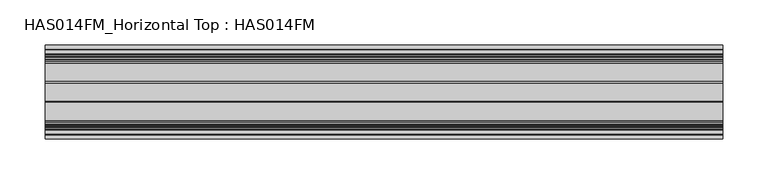
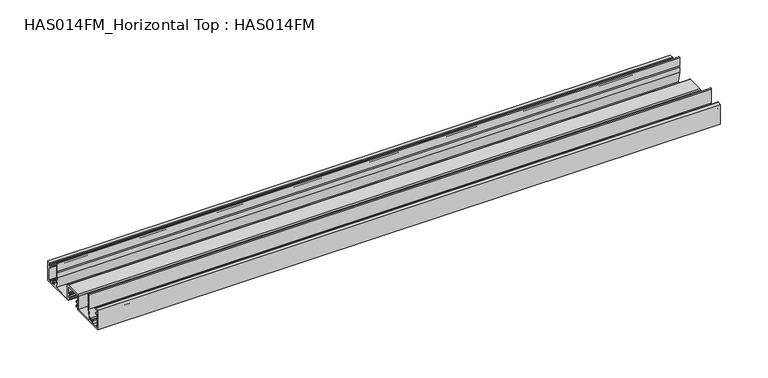
"""IFC4 building model written with IfcOpenShell, lengths in millimetres: beam geometry, HAS014FM_Horizontal Top : HAS014FM."""

from ifc_helpers import new_model, si_unit, point, frame, frame_2d, origin, place, context, project, spatial, polyline, circle_curve, trimmed, segment, composite_curve, outline, extrude, source, transform, mapped, element, save


def has014fm_horizontal_top_has014fm_6988a57c(model_context):
    return source(origin(), model_context, "Body", "SweptSolid", [
        extrude(outline(composite_curve([segment(polyline([(-9.7397316, -31.7708648), (-9.7397316, -34.1298825), (-51.998773, -34.1298825), (-51.998773, -9.0339496), (-47.6822725, -9.0339496)]), True, "CONTINUOUS"), segment(trimmed(circle_curve(frame_2d((-47.6822725, -9.7366357)), 0.7026861), [point((-47.6822725, -9.0339496))], [point((-47.6822725, -10.4393218))], False, "CARTESIAN"), True, "CONTINUOUS"), segment(polyline([(-47.6822725, -10.4393218), (-50.6435926, -10.4393218), (-50.6435926, -13.7017931), (-48.9370692, -13.7017931)]), True, "CONTINUOUS"), segment(trimmed(circle_curve(frame_2d((-48.9370692, -14.504863)), 0.8030699), [point((-48.9370692, -13.7017931))], [point((-48.1339993, -14.504863))], False, "CARTESIAN"), True, "CONTINUOUS"), segment(polyline([(-48.1339993, -14.504863), (-48.1339993, -15.7094677)]), True, "CONTINUOUS"), segment(trimmed(circle_curve(frame_2d((-48.635918, -15.7094677)), 0.5019187), [point((-48.1339993, -15.7094677))], [point((-49.1378366, -15.7094677))], False, "CARTESIAN"), True, "CONTINUOUS"), segment(polyline([(-49.1378366, -15.7094677), (-49.1378366, -14.7056304), (-50.6435926, -14.7056304), (-50.6435926, -32.7747021), (-49.1378366, -32.7747021), (-49.1378366, -31.7708648)]), True, "CONTINUOUS"), segment(trimmed(circle_curve(frame_2d((-48.635918, -31.7708648)), 0.5019187), [point((-49.1378366, -31.7708648))], [point((-48.1339993, -31.7708648))], False, "CARTESIAN"), True, "CONTINUOUS"), segment(polyline([(-48.1339993, -31.7708648), (-48.1339993, -32.7747021), (-41.4082317, -32.7747021)]), True, "CONTINUOUS"), segment(trimmed(circle_curve(frame_2d((-38.9488879, -30.8679975)), 3.1118957), [point((-41.4082317, -32.7747021))], [point((-41.283567, -28.810531))], False, "CARTESIAN"), True, "CONTINUOUS"), segment(trimmed(circle_curve(frame_2d((-40.7187253, -29.3083052)), 0.752878), [point((-41.283567, -28.810531))], [point((-40.1538836, -29.8060793))], False, "CARTESIAN"), True, "CONTINUOUS"), segment(trimmed(circle_curve(frame_2d((-38.9488879, -30.8679975)), 1.6061397), [point((-40.1538836, -29.8060793))], [point((-39.0041772, -32.4731853))], True, "CARTESIAN"), True, "CONTINUOUS"), segment(trimmed(circle_curve(frame_2d((-38.9488879, -30.8679975)), 1.6061397), [point((-39.0041772, -32.4731853))], [point((-37.7438922, -29.8060793))], True, "CARTESIAN"), True, "CONTINUOUS"), segment(trimmed(circle_curve(frame_2d((-37.1790505, -29.3083052)), 0.752878), [point((-37.7438922, -29.8060793))], [point((-36.6142088, -28.810531))], False, "CARTESIAN"), True, "CONTINUOUS"), segment(polyline([(-36.6142088, -28.810531), (-35.692704, -29.7320358), (-33.4779745, -18.9347678), (-33.4779745, -0.6775902)]), True, "CONTINUOUS"), segment(trimmed(circle_curve(frame_2d((-32.8003843, -0.6775902)), 0.6775902), [point((-33.4779745, -0.6775902))], [point((-32.1227941, -0.6775902))], False, "CARTESIAN"), True, "CONTINUOUS"), segment(polyline([(-32.1227941, -0.6775902), (-32.1227941, -10.5402918), (-32.925864, -10.5402918), (-32.1227941, -12.4331683), (-32.1227941, -19.0723228), (-34.9335386, -32.7752884), (-11.2956794, -32.7752884), (-11.2956794, -15.7596596)]), True, "CONTINUOUS"), segment(trimmed(circle_curve(frame_2d((-10.0910746, -15.7596596)), 1.2046048), [point((-11.2956794, -15.7596596))], [point((-10.0910746, -14.5550548))], False, "CARTESIAN"), True, "CONTINUOUS"), segment(polyline([(-10.0910746, -14.5550548), (10.0910746, -14.5550548)]), True, "CONTINUOUS"), segment(trimmed(circle_curve(frame_2d((10.0910746, -15.7596596)), 1.2046048), [point((10.0910746, -14.5550548))], [point((11.2956794, -15.7596596))], False, "CARTESIAN"), True, "CONTINUOUS"), segment(polyline([(11.2956794, -15.7596596), (11.2956794, -32.7752884), (34.9335386, -32.7752884), (32.1227941, -19.0723228), (32.1227941, -12.4331683), (32.925864, -10.5402918), (32.1227941, -10.5402918), (32.1227941, -0.6775902)]), True, "CONTINUOUS"), segment(trimmed(circle_curve(frame_2d((32.8003843, -0.6775902)), 0.6775902), [point((32.1227941, -0.6775902))], [point((33.4779745, -0.6775902))], False, "CARTESIAN"), True, "CONTINUOUS"), segment(polyline([(33.4779745, -0.6775902), (33.4779745, -18.9347678), (35.692704, -29.7320358), (36.6142088, -28.810531)]), True, "CONTINUOUS"), segment(trimmed(circle_curve(frame_2d((37.1790505, -29.3083052)), 0.752878), [point((36.6142088, -28.810531))], [point((37.7438922, -29.8060793))], False, "CARTESIAN"), True, "CONTINUOUS"), segment(trimmed(circle_curve(frame_2d((38.9488879, -30.8679975)), 1.6061397), [point((37.7438922, -29.8060793))], [point((38.9120232, -32.4737141))], True, "CARTESIAN"), True, "CONTINUOUS"), segment(trimmed(circle_curve(frame_2d((38.9488879, -30.8679975)), 1.6061397), [point((38.9120232, -32.4737141))], [point((40.1538835, -29.8060793))], True, "CARTESIAN"), True, "CONTINUOUS"), segment(trimmed(circle_curve(frame_2d((40.7187253, -29.3083052)), 0.752878), [point((40.1538835, -29.8060793))], [point((41.283567, -28.810531))], False, "CARTESIAN"), True, "CONTINUOUS"), segment(trimmed(circle_curve(frame_2d((38.9488879, -30.8679975)), 3.1118957), [point((41.283567, -28.810531))], [point((41.4082317, -32.7747021))], False, "CARTESIAN"), True, "CONTINUOUS"), segment(polyline([(41.4082317, -32.7747021), (48.1339993, -32.7747021), (48.1339993, -31.7708648)]), True, "CONTINUOUS"), segment(trimmed(circle_curve(frame_2d((48.635918, -31.7708648)), 0.5019187), [point((48.1339993, -31.7708648))], [point((49.1378366, -31.7708648))], False, "CARTESIAN"), True, "CONTINUOUS"), segment(polyline([(49.1378366, -31.7708648), (49.1378366, -32.7747021), (50.6435926, -32.7747021), (50.6435926, -14.7056304), (49.1378366, -14.7056304), (49.1378366, -15.7094677)]), True, "CONTINUOUS"), segment(trimmed(circle_curve(frame_2d((48.635918, -15.7094677)), 0.5019187), [point((49.1378366, -15.7094677))], [point((48.1339993, -15.7094677))], False, "CARTESIAN"), True, "CONTINUOUS"), segment(polyline([(48.1339993, -15.7094677), (48.1339993, -14.504863)]), True, "CONTINUOUS"), segment(trimmed(circle_curve(frame_2d((48.9370692, -14.504863)), 0.8030699), [point((48.1339993, -14.504863))], [point((48.9370692, -13.7017931))], False, "CARTESIAN"), True, "CONTINUOUS"), segment(polyline([(48.9370692, -13.7017931), (50.6435926, -13.7017931), (50.6435926, -10.4393218), (47.6822725, -10.4393218)]), True, "CONTINUOUS"), segment(trimmed(circle_curve(frame_2d((47.6822725, -9.7366357)), 0.7026861), [point((47.6822725, -10.4393218))], [point((47.6822725, -9.0339496))], False, "CARTESIAN"), True, "CONTINUOUS"), segment(polyline([(47.6822725, -9.0339496), (51.998773, -9.0339496), (51.998773, -34.1298825), (9.7397316, -34.1298825), (9.7397316, -31.7708648), (8.0332081, -31.7708648)]), True, "CONTINUOUS"), segment(trimmed(circle_curve(frame_2d((8.0332081, -31.2689461)), 0.5019187), [point((8.0332081, -31.7708648))], [point((7.5312895, -31.2689461))], False, "CARTESIAN"), True, "CONTINUOUS"), segment(polyline([(7.5312895, -31.2689461), (7.5312895, -29.6635739)]), True, "CONTINUOUS"), segment(trimmed(circle_curve(frame_2d((8.0332081, -29.6635739)), 0.5019187), [point((7.5312895, -29.6635739))], [point((8.5351268, -29.6635739))], False, "CARTESIAN"), True, "CONTINUOUS"), segment(polyline([(8.5351268, -29.6635739), (8.5351268, -30.4658763), (9.940499, -30.4658763), (9.940499, -25.0451548), (8.5351268, -25.0451548), (8.5351268, -25.8474572)]), True, "CONTINUOUS"), segment(trimmed(circle_curve(frame_2d((8.0332081, -25.8474572)), 0.5019187), [point((8.5351268, -25.8474572))], [point((7.5312895, -25.8474572))], False, "CARTESIAN"), True, "CONTINUOUS"), segment(polyline([(7.5312895, -25.8474572), (7.5312895, -24.2420849)]), True, "CONTINUOUS"), segment(trimmed(circle_curve(frame_2d((8.0332081, -24.2420849)), 0.5019187), [point((7.5312895, -24.2420849))], [point((8.0332081, -23.7401663))], False, "CARTESIAN"), True, "CONTINUOUS"), segment(polyline([(8.0332081, -23.7401663), (9.7397316, -23.7401663), (9.7397316, -16.1110027), (-9.7397316, -16.1110027), (-9.7397316, -23.7401663), (-8.0332081, -23.7401663)]), True, "CONTINUOUS"), segment(trimmed(circle_curve(frame_2d((-8.0332081, -24.2420849)), 0.5019187), [point((-8.0332081, -23.7401663))], [point((-7.5312895, -24.2420849))], False, "CARTESIAN"), True, "CONTINUOUS"), segment(polyline([(-7.5312895, -24.2420849), (-7.5312895, -25.8474572)]), True, "CONTINUOUS"), segment(trimmed(circle_curve(frame_2d((-8.0332081, -25.8474572)), 0.5019187), [point((-7.5312895, -25.8474572))], [point((-8.5351268, -25.8474572))], False, "CARTESIAN"), True, "CONTINUOUS"), segment(polyline([(-8.5351268, -25.8474572), (-8.5351268, -25.0451548), (-9.940499, -25.0451548), (-9.940499, -30.4658763), (-8.5351268, -30.4658763), (-8.5351268, -29.6635739)]), True, "CONTINUOUS"), segment(trimmed(circle_curve(frame_2d((-8.0332081, -29.6635739)), 0.5019187), [point((-8.5351268, -29.6635739))], [point((-7.5312895, -29.6635739))], False, "CARTESIAN"), True, "CONTINUOUS"), segment(polyline([(-7.5312895, -29.6635739), (-7.5312895, -31.2689461)]), True, "CONTINUOUS"), segment(trimmed(circle_curve(frame_2d((-8.0332081, -31.2689461)), 0.5019187), [point((-7.5312895, -31.2689461))], [point((-8.0332081, -31.7708648))], False, "CARTESIAN"), True, "CONTINUOUS"), segment(polyline([(-8.0332081, -31.7708648), (-9.7397316, -31.7708648)]), True, "CONTINUOUS")], self_intersect=False)), frame((-374.9040671, 0.0, 0.0), z_axis=(1.0, 0.0, 0.0), x_axis=(0.0, 1.0, 0.0)), (0.0, 0.0, 1.0), 749.8081342),
    ])


if __name__ == "__main__":
    model = new_model("IFC4")
    model_context = context("Model", 3, world=origin())
    ifc_project = project(units=[si_unit("LENGTHUNIT", "METRE", prefix="MILLI")], contexts=[model_context])
    site = spatial("IfcSite", under=ifc_project)
    building = spatial("IfcBuilding", under=site)
    placement = place(None, origin())
    has014fm_horizontal_top_has014fm_shape = has014fm_horizontal_top_has014fm_6988a57c(model_context)
    element("IfcBeam", 1, ObjectType="HAS014FM_Horizontal Top : HAS014FM", at=placement, inside=building, context=model_context, shape_type="MappedRepresentation", body=[
        mapped(has014fm_horizontal_top_has014fm_shape, transform((0.0, 0.0, 0.0), x_axis=(1.0, 0.0, 0.0), y_axis=(0.0, 1.0, 0.0), z_axis=(0.0, 0.0, 1.0))),
    ])
    save(model, "model.ifc")
